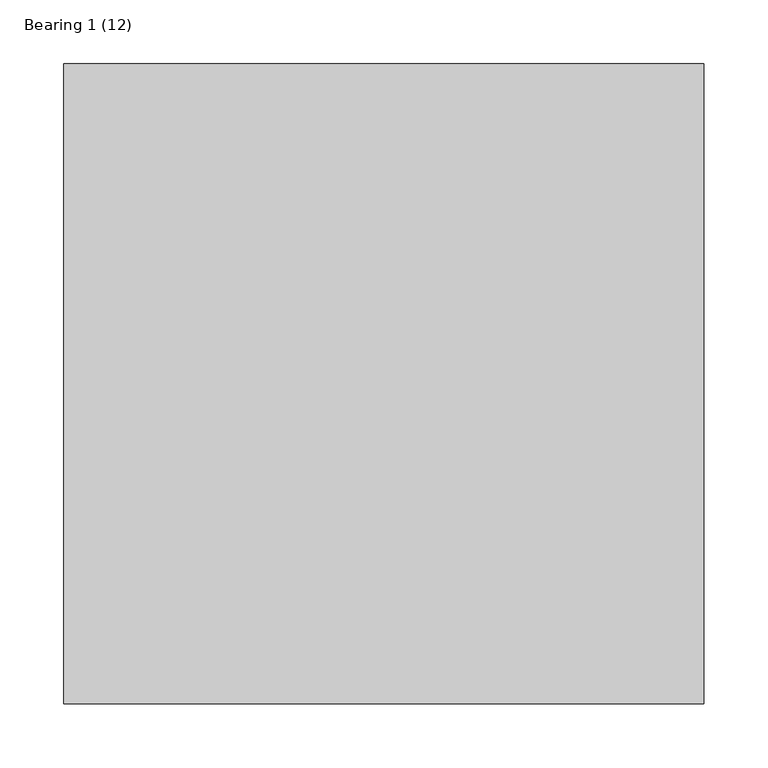
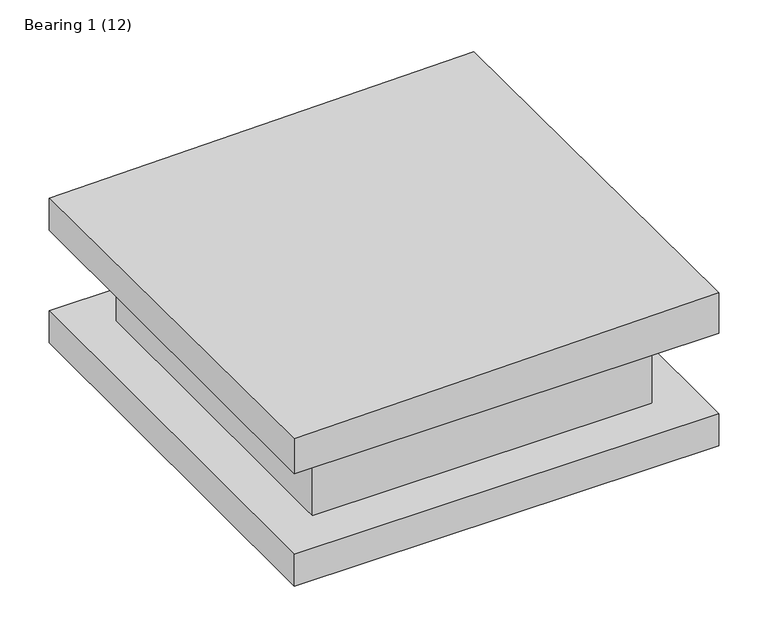
"""IFC4 building model written with IfcOpenShell, lengths in millimetres: proxy geometry, Bearing 1 (12)."""

from ifc_helpers import new_model, si_unit, frame, origin, origin_with_axes, place, context, project, spatial, polyline, outline, extrude, faceted_brep, source, transform, mapped, element, save


def bearing_1_12_d1cf440f(model_context):
    return source(origin(), model_context, "Body", "SolidModel", [
        extrude(outline(polyline([(250.0, 250.0), (250.0, -250.0), (-250.0, -250.0), (-250.0, 250.0), (250.0, 250.0)])), origin_with_axes(), (0.0, 0.0, 1.0), 40.0),
        faceted_brep([(-250.0, 250.0, 140.0), (-250.0, -250.0, 140.0), (-250.0, -250.0, 183.5956194), (-250.0, 250.0, 179.9998208), (250.0, 250.0, 140.0), (250.0, 250.0, 187.0601468), (250.0, -250.0, 140.0), (250.0, -250.0, 190.6559455)], [[[0, 1, 2, 3]], [[4, 0, 3, 5]], [[6, 4, 5, 7]], [[1, 6, 7, 2]], [[2, 7, 5, 3]], [[6, 1, 0, 4]]]),
        extrude(outline(polyline([(-200.0, 200.0), (200.0, 200.0), (200.0, -200.0), (-200.0, -200.0), (-200.0, 200.0)])), frame((0.0, 0.0, 40.0), z_axis=(0.0, 0.0, 1.0), x_axis=(1.0, 0.0, 0.0)), (0.0, 0.0, 1.0), 100.0),
    ])


if __name__ == "__main__":
    model = new_model("IFC4")
    model_context = context("Model", 3, world=origin())
    ifc_project = project(units=[si_unit("LENGTHUNIT", "METRE", prefix="MILLI")], contexts=[model_context])
    site = spatial("IfcSite", under=ifc_project)
    building = spatial("IfcBuilding", under=site)
    placement = place(None, origin())
    bearing_1_12_shape = bearing_1_12_d1cf440f(model_context)
    element("IfcBuildingElementProxy", 1, Name="Bearing 1 (12)", ObjectType="Bearing 1 (12)", at=placement, inside=building, context=model_context, shape_type="MappedRepresentation", body=[
        mapped(bearing_1_12_shape, transform((0.0, 0.0, 0.0), x_axis=(1.0, 0.0, 0.0), y_axis=(0.0, 1.0, 0.0), z_axis=(0.0, 0.0, 1.0))),
    ])
    save(model, "model.ifc")
